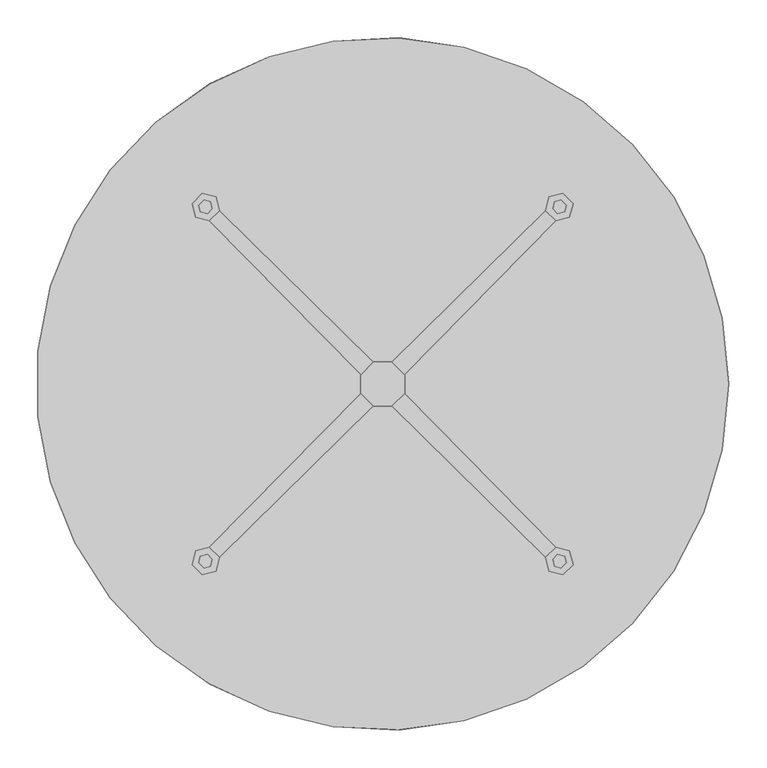
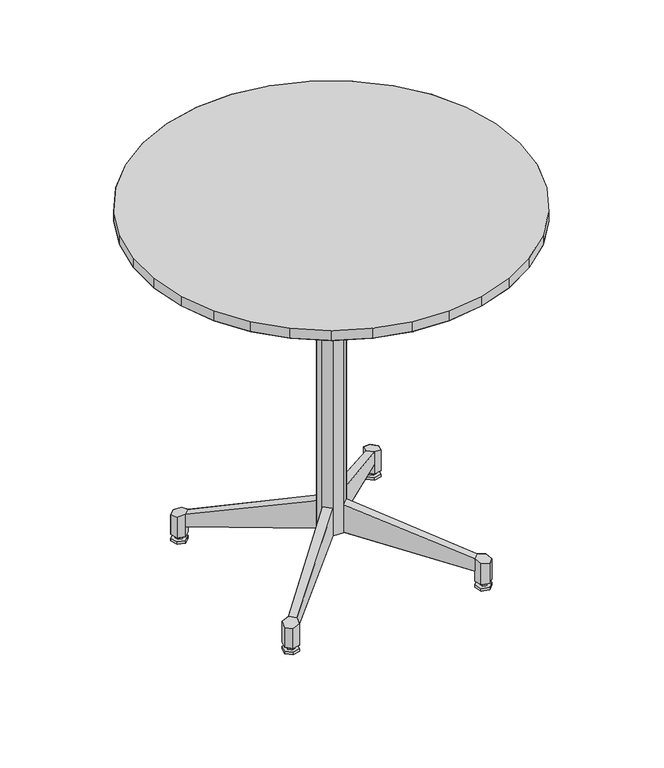
"""IFC4 building model written with IfcOpenShell, lengths in millimetres: furniture geometry."""

from ifc_helpers import new_model, si_unit, origin, place, context, project, spatial, triangles, source, transform, mapped, element, save


def furniture_65bd8dd3(model_context):
    return source(origin(), model_context, "Body", "Tessellation", [
        triangles([(-65.0663455, -452.5463596, 914.4), (21.754452, -456.6821537, 914.4), (-149.5354764, -432.0543692, 914.4), (107.7889875, -444.3122329, 914.4), (-455.1297775, 43.4596247, 914.4), (457.2, 0.0, 914.4), (448.9377863, 86.5256688, 914.4), (-438.6802002, 128.8081261, 914.4), (-228.6, -395.9467984, 914.4), (189.9277421, -415.8837356, 914.4), (-299.402328, -345.5286913, 914.4), (265.2020173, -372.4241426, 914.4), (-438.6802002, -128.8081261, 914.4), (424.4498188, -169.9240757, 914.4), (448.9377863, -86.5256688, 914.4), (-455.1297775, -43.4596247, 914.4), (21.754452, 456.6821537, 914.4), (-65.0663455, 452.5463596, 914.4), (107.7889875, 444.3122329, 914.4), (-149.5354764, 432.0543692, 914.4), (189.9277421, 415.8837356, 914.4), (-406.3755587, 209.5011658, 914.4), (424.4498188, 169.9240757, 914.4), (384.6211089, 247.1809879, 914.4), (-359.3834779, 282.6222839, 914.4), (-228.6, 395.9467984, 914.4), (265.2020173, 372.4241426, 914.4), (-406.3755587, -209.5011658, 914.4), (384.6211089, -247.1809879, 914.4), (-299.402328, 345.5286913, 914.4), (330.8912127, 315.5041068, 914.4), (-359.3834779, -282.6222839, 914.4), (330.8912127, -315.5041068, 914.4), (448.9377863, 86.5256688, 889.0000242), (-438.6802002, 128.8081261, 889.0000242), (424.4498188, 169.9240757, 889.0000242), (-406.3755587, 209.5011658, 889.0000242), (107.7889875, -444.3122329, 889.0000242), (21.754452, -456.6821537, 889.0000242), (-65.0663455, -452.5463596, 889.0000242), (-149.5354764, -432.0543692, 889.0000242), (457.2, 0.0, 889.0000242), (-455.1297775, 43.4596247, 889.0000242), (448.9377863, -86.5256688, 889.0000242), (-455.1297775, -43.4596247, 889.0000242), (107.7889875, 444.3122329, 889.0000242), (-65.0663455, 452.5463596, 889.0000242), (21.754452, 456.6821537, 889.0000242), (265.2020173, 372.4241426, 889.0000242), (-228.6, 395.9467984, 889.0000242), (-149.5354764, 432.0543692, 889.0000242), (189.9277421, 415.8837356, 889.0000242), (330.8912127, 315.5041068, 889.0000242), (-299.402328, 345.5286913, 889.0000242), (384.6211089, -247.1809879, 889.0000242), (-406.3755587, -209.5011658, 889.0000242), (-438.6802002, -128.8081261, 889.0000242), (424.4498188, -169.9240757, 889.0000242), (265.2020173, -372.4241426, 889.0000242), (-299.402328, -345.5286913, 889.0000242), (-359.3834779, -282.6222839, 889.0000242), (330.8912127, -315.5041068, 889.0000242), (384.6211089, 247.1809879, 889.0000242), (-359.3834779, 282.6222839, 889.0000242), (189.9277421, -415.8837356, 889.0000242), (-228.6, -395.9467984, 889.0000242)], [[1, 2, 3], [2, 4, 3], [5, 6, 7], [5, 7, 8], [9, 10, 11], [10, 12, 11], [13, 14, 15], [13, 15, 16], [17, 18, 19], [20, 21, 19], [20, 19, 18], [22, 23, 24], [22, 24, 25], [20, 26, 21], [26, 27, 21], [22, 8, 7], [22, 7, 23], [9, 3, 4], [9, 4, 10], [13, 28, 29], [13, 29, 14], [30, 25, 24], [30, 24, 31], [30, 31, 27], [30, 27, 26], [5, 16, 15], [5, 15, 6], [32, 33, 29], [32, 29, 28], [32, 11, 12], [32, 12, 33], [34, 35, 36], [35, 37, 36], [38, 39, 40], [38, 40, 41], [34, 42, 43], [34, 43, 35], [44, 45, 43], [44, 43, 42], [46, 47, 48], [49, 50, 51], [49, 51, 52], [49, 53, 54], [49, 54, 50], [55, 56, 57], [55, 57, 58], [46, 52, 47], [52, 51, 47], [59, 60, 61], [59, 61, 62], [63, 36, 37], [63, 37, 64], [63, 64, 54], [63, 54, 53], [44, 58, 57], [44, 57, 45], [59, 65, 66], [59, 66, 60], [38, 41, 65], [41, 66, 65], [55, 62, 61], [55, 61, 56]], closed=False),
        triangles([(-246.9806731, -219.9931671, 6.3500002), (-228.7244292, -215.2306671, 6.3500002), (-251.7431731, -238.2494292, 6.3500002), (-238.2494292, -251.7431731, 6.3500002), (-224.7556671, -231.1056792, 6.3500002), (-231.1056792, -224.7556671, 6.3500002), (-231.1056792, -224.7556671, 15.8749996), (-224.7556671, -231.1056792, 15.8749996), (-240.6306792, -227.1369171, 6.3500002), (-240.6306792, -227.1369171, 15.8749996), (-243.0119292, -235.8681792, 6.3500002), (-243.0119292, -235.8681792, 15.8749996), (-235.8681792, -243.0119292, 6.3500002), (-235.8681792, -243.0119292, 15.8749996), (-227.1369171, -240.6306792, 6.3500002), (-227.1369171, -240.6306792, 15.8749996), (-251.7431731, -238.2494292, 0.0), (-238.2494292, -251.7431731, 0.0), (-246.9806731, -219.9931671, 0.0), (-224.7556671, 231.1056792, 6.3500002), (-227.1369171, 240.6306792, 6.3500002), (-227.1369171, 240.6306792, 15.8749996), (-224.7556671, 231.1056792, 15.8749996), (-235.8681792, 243.0119292, 6.3500002), (-243.0119292, 235.8681792, 6.3500002), (-243.0119292, 235.8681792, 15.8749996), (-235.8681792, 243.0119292, 15.8749996), (-240.6306792, 227.1369171, 6.3500002), (-240.6306792, 227.1369171, 15.8749996), (-219.9931671, -246.9806731, 6.3500002), (-219.9931671, -246.9806731, 0.0), (-228.7244292, -215.2306671, 0.0), (-215.2306671, -228.7244292, 6.3500002), (-215.2306671, -228.7244292, 0.0), (-219.9931671, 246.9806731, 6.3500002), (-215.2306671, 228.7244292, 6.3500002), (-238.2494292, 251.7431731, 6.3500002), (-251.7431731, 238.2494292, 6.3500002), (-231.1056792, 224.7556671, 6.3500002), (-231.1056792, 224.7556671, 15.8749996), (-219.9931671, 246.9806731, 0.0), (-238.2494292, 251.7431731, 0.0), (-215.2306671, 228.7244292, 0.0), (-228.7244292, 215.2306671, 6.3500002), (-246.9806731, 219.9931671, 6.3500002), (-246.9806731, 219.9931671, 0.0), (-228.7244292, 215.2306671, 0.0), (-251.7431731, 238.2494292, 0.0), (243.0119292, -235.8681792, 6.3500002), (240.6306792, -227.1369171, 6.3500002), (240.6306792, -227.1369171, 15.8749996), (243.0119292, -235.8681792, 15.8749996), (227.1369171, -240.6306792, 6.3500002), (235.8681792, -243.0119292, 6.3500002), (235.8681792, -243.0119292, 15.8749996), (227.1369171, -240.6306792, 15.8749996), (219.9931671, -246.9806731, 6.3500002), (215.2306671, -228.7244292, 6.3500002), (238.2494292, -251.7431731, 6.3500002), (251.7431731, -238.2494292, 6.3500002), (231.1056792, -224.7556671, 6.3500002), (231.1056792, -224.7556671, 15.8749996), (224.7556671, -231.1056792, 6.3500002), (224.7556671, -231.1056792, 15.8749996), (246.9806731, 219.9931671, 6.3500002), (228.7244292, 215.2306671, 6.3500002), (228.7244292, 215.2306671, 0.0), (246.9806731, 219.9931671, 0.0), (235.8681792, 243.0119292, 6.3500002), (227.1369171, 240.6306792, 6.3500002), (227.1369171, 240.6306792, 15.8749996), (235.8681792, 243.0119292, 15.8749996), (228.7244292, -215.2306671, 6.3500002), (246.9806731, -219.9931671, 6.3500002), (224.7556671, 231.1056792, 6.3500002), (231.1056792, 224.7556671, 6.3500002), (231.1056792, 224.7556671, 15.8749996), (224.7556671, 231.1056792, 15.8749996), (219.9931671, -246.9806731, 0.0), (238.2494292, -251.7431731, 0.0), (215.2306671, 228.7244292, 6.3500002), (219.9931671, 246.9806731, 6.3500002), (238.2494292, 251.7431731, 6.3500002), (246.9806731, -219.9931671, 0.0), (228.7244292, -215.2306671, 0.0), (243.0119292, 235.8681792, 6.3500002), (243.0119292, 235.8681792, 15.8749996), (251.7431731, 238.2494292, 6.3500002), (251.7431731, 238.2494292, 0.0), (215.2306671, -228.7244292, 0.0), (251.7431731, -238.2494292, 0.0), (240.6306792, 227.1369171, 6.3500002), (240.6306792, 227.1369171, 15.8749996), (238.2494292, 251.7431731, 0.0), (219.9931671, 246.9806731, 0.0), (215.2306671, 228.7244292, 0.0), (-215.2306671, 228.7244292, 15.8749996), (-251.7431731, 238.2494292, 15.8749996), (-228.7244292, 215.2306671, 15.8749996), (-246.9806731, 219.9931671, 15.8749996), (251.7431731, 238.2494292, 15.8749996), (238.2494292, 251.7431731, 15.8749996), (228.7244292, 215.2306671, 15.8749996), (246.9806731, 219.9931671, 15.8749996), (-238.2494292, 251.7431731, 15.8749996), (-219.9931671, 246.9806731, 15.8749996), (238.2494292, -251.7431731, 15.8749996), (251.7431731, -238.2494292, 15.8749996), (215.2306671, -228.7244292, 15.8749996), (219.9931671, -246.9806731, 15.8749996), (-251.7431731, -238.2494292, 15.8749996), (-238.2494292, -251.7431731, 15.8749996), (-228.7244292, -215.2306671, 15.8749996), (-246.9806731, -219.9931671, 15.8749996), (228.7244292, -215.2306671, 15.8749996), (246.9806731, -219.9931671, 15.8749996), (-215.2306671, -228.7244292, 15.8749996), (-219.9931671, -246.9806731, 15.8749996), (215.2306671, 228.7244292, 15.8749996), (219.9931671, 246.9806731, 15.8749996)], [[1, 2, 3], [2, 4, 3], [5, 6, 7], [5, 7, 8], [6, 9, 10], [6, 10, 7], [9, 11, 12], [9, 12, 10], [11, 13, 14], [11, 14, 12], [13, 15, 16], [13, 16, 14], [15, 5, 8], [15, 8, 16], [4, 3, 17], [4, 17, 18], [3, 1, 19], [3, 19, 17], [20, 21, 22], [20, 22, 23], [24, 25, 26], [24, 26, 27], [25, 28, 29], [25, 29, 26], [30, 4, 18], [30, 18, 31], [1, 2, 32], [1, 32, 19], [2, 33, 34], [2, 34, 32], [35, 36, 37], [36, 38, 37], [33, 30, 31], [33, 31, 34], [33, 30, 4], [33, 4, 2], [21, 24, 27], [21, 27, 22], [28, 39, 40], [28, 40, 29], [39, 20, 23], [39, 23, 40], [37, 35, 41], [37, 41, 42], [35, 36, 43], [35, 43, 41], [44, 45, 38], [44, 38, 36], [44, 45, 46], [44, 46, 47], [38, 37, 42], [38, 42, 48], [45, 38, 48], [45, 48, 46], [36, 44, 47], [36, 47, 43], [49, 50, 51], [49, 51, 52], [53, 54, 55], [53, 55, 56], [57, 58, 59], [58, 60, 59], [50, 61, 62], [50, 62, 51], [61, 63, 64], [61, 64, 62], [63, 53, 56], [63, 56, 64], [54, 49, 52], [54, 52, 55], [65, 66, 67], [65, 67, 68], [69, 70, 71], [69, 71, 72], [73, 74, 60], [73, 60, 58], [75, 76, 77], [75, 77, 78], [59, 57, 79], [59, 79, 80], [81, 82, 83], [81, 83, 66], [73, 74, 84], [73, 84, 85], [86, 69, 72], [86, 72, 87], [88, 65, 68], [88, 68, 89], [57, 58, 90], [57, 90, 79], [60, 59, 80], [60, 80, 91], [65, 66, 88], [66, 83, 88], [76, 92, 93], [76, 93, 77], [70, 75, 78], [70, 78, 71], [92, 86, 87], [92, 87, 93], [58, 73, 85], [58, 85, 90], [74, 60, 91], [74, 91, 84], [83, 88, 89], [83, 89, 94], [81, 82, 95], [81, 95, 96], [82, 83, 94], [82, 94, 95], [66, 81, 96], [66, 96, 67], [42, 48, 43], [42, 43, 41], [97, 98, 99], [98, 100, 99], [101, 102, 103], [101, 103, 104], [105, 98, 97], [105, 97, 106], [17, 18, 32], [17, 32, 19], [107, 108, 109], [107, 109, 110], [111, 112, 113], [111, 113, 114], [80, 91, 90], [80, 90, 79], [67, 94, 96], [94, 95, 96], [109, 108, 115], [108, 116, 115], [32, 18, 34], [18, 31, 34], [113, 112, 117], [112, 118, 117], [43, 48, 47], [48, 46, 47], [89, 94, 67], [89, 67, 68], [90, 91, 85], [91, 84, 85], [103, 102, 119], [102, 120, 119]], closed=False),
        triangles([(11.90625, 29.3687492, 812.8000242), (199.2312439, 215.8999939, 889.0000242), (215.8999939, 199.2312439, 889.0000242), (29.3687492, 11.90625, 812.8000242), (78.58125, 34.9250008, 889.0000242), (34.9250008, 78.58125, 889.0000242), (-29.3687492, 11.90625, 812.8000242), (-78.58125, 34.9250008, 889.0000242), (-215.8999939, 199.2312439, 889.0000242), (-34.9250008, 78.58125, 889.0000242), (-11.90625, 29.3687492, 812.8000242), (-78.58125, -34.9250008, 889.0000242), (-29.3687492, -11.90625, 812.8000242), (34.9250008, -78.58125, 889.0000242), (-34.9250008, -78.58125, 889.0000242), (-11.90625, -29.3687492, 812.8000242), (11.90625, -29.3687492, 812.8000242), (-199.2312439, 215.8999939, 889.0000242), (29.3687492, -11.90625, 812.8000242), (78.58125, -34.9250008, 889.0000242), (215.8999939, -199.2312439, 889.0000242), (199.2312439, -215.8999939, 889.0000242), (-215.8999939, -199.2312439, 889.0000242), (-199.2312439, -215.8999939, 889.0000242)], [[1, 2, 3], [1, 3, 4], [3, 5, 4], [1, 6, 2], [7, 8, 9], [10, 6, 1], [10, 1, 11], [12, 8, 7], [12, 7, 13], [14, 15, 16], [14, 16, 17], [7, 9, 18], [7, 18, 11], [19, 20, 21], [19, 21, 22], [19, 22, 17], [23, 12, 13], [22, 14, 17], [5, 20, 19], [5, 19, 4], [16, 24, 23], [16, 23, 13], [16, 15, 24], [18, 10, 11]], closed=False),
        triangles([(11.90625, -29.3687492, 812.8000242), (-11.90625, -29.3687492, 812.8000242), (-11.90625, -29.3687492, 90.4875), (11.90625, -29.3687492, 90.4875), (-11.90625, 29.3687492, 812.8000242), (11.90625, 29.3687492, 812.8000242), (11.90625, 29.3687492, 90.4875), (-11.90625, 29.3687492, 90.4875), (-29.3687492, 11.90625, 812.8000242), (-29.3687492, 11.90625, 90.4875), (29.3687492, 11.90625, 812.8000242), (29.3687492, 11.90625, 90.4875), (29.3687492, -11.90625, 812.8000242), (29.3687492, -11.90625, 90.4875), (-29.3687492, -11.90625, 812.8000242), (-29.3687492, -11.90625, 90.4875)], [[1, 2, 3], [1, 3, 4], [5, 6, 7], [5, 7, 8], [9, 5, 8], [9, 8, 10], [6, 11, 12], [6, 12, 7], [11, 13, 14], [11, 14, 12], [13, 1, 4], [13, 4, 14], [2, 15, 16], [2, 16, 3], [15, 9, 10], [15, 10, 16]], closed=False),
        triangles([(-228.7244292, 215.2306671, 41.2750015), (-29.3687492, 12.7000004, 91.281247), (-29.3687492, 12.7000004, 161.1312439), (-228.7244292, 215.2306671, 73.0249985), (-228.7244292, 215.2306671, 15.8749996), (-215.2306671, 228.7244292, 41.2750015), (-215.2306671, 228.7244292, 15.8749996), (-251.7431731, 238.2494292, 15.8749996), (-251.7431731, 238.2494292, 66.675), (-238.2494292, 251.7431731, 66.675), (-238.2494292, 251.7431731, 15.8749996), (228.7244292, -215.2306671, 41.2750015), (215.2306671, -228.7244292, 41.2750015), (12.7000004, -29.3687492, 91.281247), (29.3687492, -12.7000004, 91.281247), (215.2306671, 228.7244292, 41.2750015), (12.7000004, 29.3687492, 91.281247), (12.7000004, 29.3687492, 161.1312439), (215.2306671, 228.7244292, 73.0249985), (228.7244292, 215.2306671, 41.2750015), (29.3687492, 12.7000004, 91.281247), (29.3687492, 12.7000004, 161.1312439), (228.7244292, 215.2306671, 73.0249985), (29.3687492, -12.7000004, 161.1312439), (12.7000004, -29.3687492, 161.1312439), (215.2306671, -228.7244292, 73.0249985), (228.7244292, -215.2306671, 73.0249985), (-29.3687492, -12.7000004, 91.281247), (-29.3687492, -12.7000004, 161.1312439), (-228.7244292, -215.2306671, 73.0249985), (-228.7244292, -215.2306671, 41.2750015), (-12.7000004, 29.3687492, 91.281247), (-12.7000004, 29.3687492, 161.1312439), (-215.2306671, 228.7244292, 73.0249985), (-12.7000004, -29.3687492, 161.1312439), (-215.2306671, -228.7244292, 73.0249985), (-215.2306671, -228.7244292, 41.2750015), (-12.7000004, -29.3687492, 91.281247), (-219.9931671, -246.9806731, 15.8749996), (-219.9931671, -246.9806731, 69.8500015), (-238.2494292, -251.7431731, 66.675), (-238.2494292, -251.7431731, 15.8749996), (-246.9806731, 219.9931671, 15.8749996), (-246.9806731, 219.9931671, 69.8500015), (-215.2306671, -228.7244292, 15.8749996), (-219.9931671, 246.9806731, 69.8500015), (-219.9931671, 246.9806731, 15.8749996), (-251.7431731, -238.2494292, 66.675), (-251.7431731, -238.2494292, 15.8749996), (-228.7244292, -215.2306671, 15.8749996), (-246.9806731, -219.9931671, 69.8500015), (-246.9806731, -219.9931671, 15.8749996), (215.2306671, 228.7244292, 15.8749996), (228.7244292, 215.2306671, 15.8749996), (246.9806731, -219.9931671, 69.8500015), (246.9806731, -219.9931671, 15.8749996), (228.7244292, -215.2306671, 15.8749996), (219.9931671, -246.9806731, 69.8500015), (238.2494292, -251.7431731, 66.675), (238.2494292, -251.7431731, 15.8749996), (219.9931671, -246.9806731, 15.8749996), (238.2494292, 251.7431731, 15.8749996), (238.2494292, 251.7431731, 66.675), (251.7431731, 238.2494292, 66.675), (251.7431731, 238.2494292, 15.8749996), (246.9806731, 219.9931671, 69.8500015), (246.9806731, 219.9931671, 15.8749996), (219.9931671, 246.9806731, 15.8749996), (219.9931671, 246.9806731, 69.8500015), (251.7431731, -238.2494292, 15.8749996), (251.7431731, -238.2494292, 66.675), (215.2306671, -228.7244292, 15.8749996)], [[1, 2, 3], [1, 3, 4], [5, 1, 6], [5, 6, 7], [8, 9, 10], [8, 10, 11], [12, 13, 14], [12, 14, 15], [16, 17, 18], [16, 18, 19], [16, 20, 21], [16, 21, 17], [18, 22, 23], [18, 23, 19], [24, 25, 26], [24, 26, 27], [21, 22, 23], [21, 23, 20], [28, 29, 30], [28, 30, 31], [12, 15, 24], [12, 24, 27], [32, 33, 34], [32, 34, 6], [35, 29, 30], [35, 30, 36], [3, 33, 34], [3, 34, 4], [37, 38, 35], [37, 35, 36], [14, 25, 26], [14, 26, 13], [39, 40, 41], [39, 41, 42], [43, 44, 9], [43, 9, 8], [4, 44, 43], [4, 43, 5], [36, 40, 39], [36, 39, 45], [46, 10, 11], [46, 11, 47], [42, 41, 48], [42, 48, 49], [45, 37, 31], [45, 31, 50], [34, 46, 47], [34, 47, 7], [51, 48, 49], [51, 49, 52], [30, 51, 52], [30, 52, 50], [53, 16, 20], [53, 20, 54], [36, 40, 41], [4, 44, 9], [37, 31, 28], [37, 28, 38], [4, 9, 10], [4, 46, 34], [36, 41, 48], [1, 6, 32], [1, 32, 2], [36, 48, 51], [36, 51, 30], [4, 10, 46], [27, 55, 56], [27, 56, 57], [58, 59, 60], [58, 60, 61], [62, 63, 64], [62, 64, 65], [23, 66, 67], [23, 67, 54], [68, 69, 63], [68, 63, 62], [19, 69, 68], [19, 68, 53], [70, 71, 59], [70, 59, 60], [66, 64, 65], [66, 65, 67], [57, 12, 13], [57, 13, 72], [26, 58, 61], [26, 61, 72], [56, 55, 71], [56, 71, 70], [27, 71, 59], [19, 66, 23], [27, 59, 58], [19, 69, 63], [27, 58, 26], [27, 55, 71], [19, 64, 66], [19, 63, 64]], closed=False),
        triangles([(-149.5354764, 432.0543692, 889.0000242), (-228.6, 395.9467984, 889.0000242), (-228.6, 395.9467984, 914.4), (-149.5354764, 432.0543692, 914.4), (448.9377863, 86.5256688, 889.0000242), (424.4498188, 169.9240757, 889.0000242), (424.4498188, 169.9240757, 914.4), (448.9377863, 86.5256688, 914.4), (189.9277421, 415.8837356, 889.0000242), (107.7889875, 444.3122329, 889.0000242), (107.7889875, 444.3122329, 914.4), (189.9277421, 415.8837356, 914.4), (-455.1297775, -43.4596247, 889.0000242), (-438.6802002, -128.8081261, 889.0000242), (-438.6802002, -128.8081261, 914.4), (-455.1297775, -43.4596247, 914.4), (-359.3834779, 282.6222839, 889.0000242), (-406.3755587, 209.5011658, 889.0000242), (-406.3755587, 209.5011658, 914.4), (-359.3834779, 282.6222839, 914.4), (21.754452, 456.6821537, 889.0000242), (-65.0663455, 452.5463596, 889.0000242), (-65.0663455, 452.5463596, 914.4), (21.754452, 456.6821537, 914.4), (-438.6802002, 128.8081261, 889.0000242), (-455.1297775, 43.4596247, 889.0000242), (-455.1297775, 43.4596247, 914.4), (-438.6802002, 128.8081261, 914.4), (384.6211089, 247.1809879, 889.0000242), (330.8912127, 315.5041068, 889.0000242), (330.8912127, 315.5041068, 914.4), (384.6211089, 247.1809879, 914.4), (265.2020173, 372.4241426, 889.0000242), (265.2020173, 372.4241426, 914.4), (-299.402328, 345.5286913, 889.0000242), (-299.402328, 345.5286913, 914.4), (457.2, 0.0, 889.0000242), (457.2, 0.0, 914.4), (107.7889875, -444.3122329, 889.0000242), (189.9277421, -415.8837356, 889.0000242), (189.9277421, -415.8837356, 914.4), (107.7889875, -444.3122329, 914.4), (448.9377863, -86.5256688, 889.0000242), (448.9377863, -86.5256688, 914.4), (424.4498188, -169.9240757, 889.0000242), (424.4498188, -169.9240757, 914.4), (21.754452, -456.6821537, 889.0000242), (21.754452, -456.6821537, 914.4), (384.6211089, -247.1809879, 889.0000242), (384.6211089, -247.1809879, 914.4), (330.8912127, -315.5041068, 889.0000242), (330.8912127, -315.5041068, 914.4), (265.2020173, -372.4241426, 889.0000242), (265.2020173, -372.4241426, 914.4), (-65.0663455, -452.5463596, 889.0000242), (-65.0663455, -452.5463596, 914.4), (-406.3755587, -209.5011658, 889.0000242), (-406.3755587, -209.5011658, 914.4), (-228.6, -395.9467984, 889.0000242), (-149.5354764, -432.0543692, 889.0000242), (-149.5354764, -432.0543692, 914.4), (-228.6, -395.9467984, 914.4), (-299.402328, -345.5286913, 889.0000242), (-299.402328, -345.5286913, 914.4), (-359.3834779, -282.6222839, 889.0000242), (-359.3834779, -282.6222839, 914.4)], [[1, 2, 3], [1, 3, 4], [5, 6, 7], [5, 7, 8], [9, 10, 11], [9, 11, 12], [13, 14, 15], [13, 15, 16], [17, 18, 19], [17, 19, 20], [21, 22, 23], [21, 23, 24], [25, 26, 27], [25, 27, 28], [29, 30, 31], [29, 31, 32], [33, 9, 12], [33, 12, 34], [6, 29, 32], [6, 32, 7], [35, 17, 20], [35, 20, 36], [30, 33, 34], [30, 34, 31], [37, 5, 8], [37, 8, 38], [10, 21, 24], [10, 24, 11], [26, 13, 16], [26, 16, 27], [2, 35, 36], [2, 36, 3], [18, 25, 28], [18, 28, 19], [22, 1, 4], [22, 4, 23], [39, 40, 41], [39, 41, 42], [43, 37, 38], [43, 38, 44], [45, 43, 44], [45, 44, 46], [47, 39, 42], [47, 42, 48], [49, 45, 46], [49, 46, 50], [51, 49, 50], [51, 50, 52], [53, 51, 52], [53, 52, 54], [55, 47, 48], [55, 48, 56], [40, 53, 54], [40, 54, 41], [14, 57, 58], [14, 58, 15], [59, 60, 61], [59, 61, 62], [63, 59, 62], [63, 62, 64], [65, 63, 64], [65, 64, 66], [60, 55, 56], [60, 56, 61], [57, 65, 66], [57, 66, 58]], closed=False),
    ])


if __name__ == "__main__":
    model = new_model("IFC4")
    model_context = context("Model", 3, world=origin())
    ifc_project = project(units=[si_unit("LENGTHUNIT", "METRE", prefix="MILLI")], contexts=[model_context])
    site = spatial("IfcSite", under=ifc_project)
    building = spatial("IfcBuilding", under=site)
    placement = place(None, origin())
    furniture_shape = furniture_65bd8dd3(model_context)
    element("IfcFurniture", 1, at=placement, inside=building, context=model_context, shape_type="MappedRepresentation", body=[
        mapped(furniture_shape, transform((0.0, 0.0, 0.0), x_axis=(1.0, 0.0, 0.0), y_axis=(0.0, 1.0, 0.0), z_axis=(0.0, 0.0, 1.0))),
    ])
    save(model, "model.ifc")
